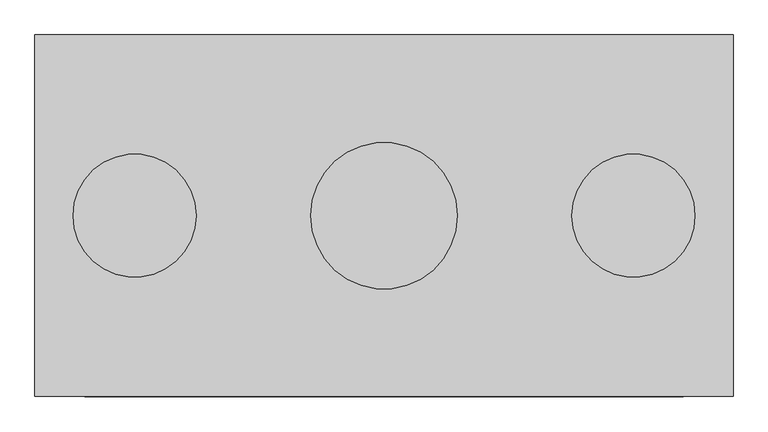
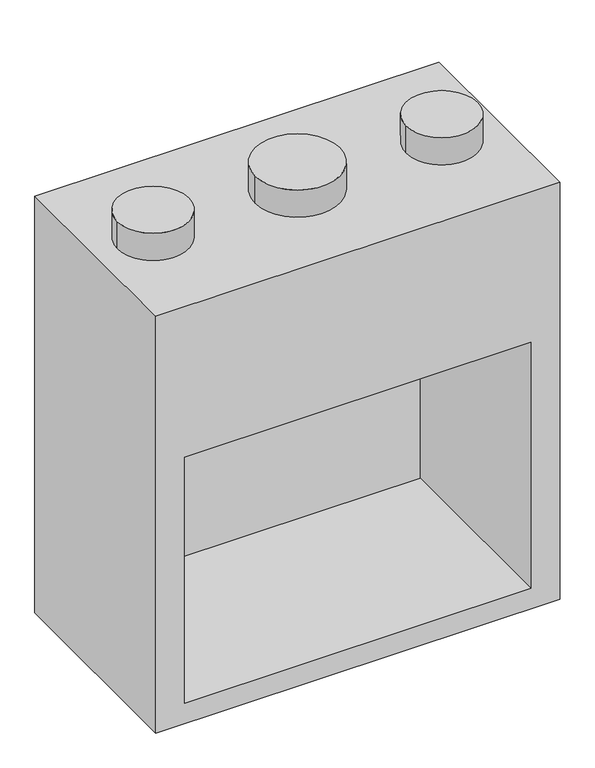
"""IFC4 building model written with IfcOpenShell, lengths in millimetres: proxy geometry."""

import ifcopenshell
import ifcopenshell.guid

model = None  # the IFC model being written
_history = None  # IfcOwnerHistory: only IFC2X3 demands one
_inside = {}  # id of a spatial element -> (the spatial element, [elements in it])
_under = {}  # id of a project, library or spatial element -> (it, [spatial elements below it])
_declared = {}  # id of a project -> (the project, [libraries it declares])
_typed = {}  # id of a type object -> (the type object, [elements of that type])
_made_of = {}  # id of a material, layer set ... -> (it, [elements and type objects made of it])


def new_model(schema):
    """Start an empty IFC model of exactly this schema.

    Asked for "IFC4X3", IfcOpenShell would pick the latest addendum, in which some entities
    have other attributes; the version numbers below select the first issue.
    IFC2X3 requires an IfcOwnerHistory on every rooted entity: one is made here for all.
    """
    global model, _history
    if schema == "IFC4X3":
        model = ifcopenshell.file(schema_version=(4, 3, 0, 0))
    else:
        model = ifcopenshell.file(schema=schema)
    _inside.clear()
    _under.clear()
    _declared.clear()
    _typed.clear()
    _made_of.clear()
    _history = None
    if model.schema == "IFC2X3":
        org = make("IfcOrganization", Name="unknown")
        user = make(
            "IfcPersonAndOrganization",
            ThePerson=make("IfcPerson", FamilyName="unknown"),
            TheOrganization=org,
        )
        app = make(
            "IfcApplication",
            ApplicationDeveloper=org,
            Version="unknown",
            ApplicationFullName="unknown",
            ApplicationIdentifier="unknown",
        )
        _history = make(
            "IfcOwnerHistory",
            OwningUser=user,
            OwningApplication=app,
            ChangeAction="ADDED",
            CreationDate=0,
        )
    return model


def make(cls, **values):
    """One entity of the class cls with the attributes given. An attribute that is None is left unset."""
    return model.create_entity(
        cls, **{name: value for name, value in values.items() if value is not None}
    )


def rooted(cls, **values):
    """An entity with a GlobalId (a new one), such as an element, a storey or a relation."""
    return make(cls, GlobalId=ifcopenshell.guid.new(), OwnerHistory=_history, **values)


def si_unit(unit_type, name, prefix=None):
    """IfcSIUnit, for example si_unit("LENGTHUNIT", "METRE", prefix="MILLI")."""
    return make("IfcSIUnit", UnitType=unit_type, Prefix=prefix, Name=name)


def assignment(units):
    """IfcUnitAssignment: the units of a project."""
    return None if units is None else make("IfcUnitAssignment", Units=units)


def point(xyz):
    """IfcCartesianPoint."""
    return None if xyz is None else make("IfcCartesianPoint", Coordinates=xyz)


def direction(xyz):
    """IfcDirection."""
    return None if xyz is None else make("IfcDirection", DirectionRatios=xyz)


def frame(location, z_axis=None, x_axis=None):
    """IfcAxis2Placement3D, a coordinate frame: its origin and axes. An axis left out is left unset."""
    return make(
        "IfcAxis2Placement3D",
        Location=point(location),
        Axis=direction(z_axis),
        RefDirection=direction(x_axis),
    )


def frame_2d(location, x_axis=None):
    """IfcAxis2Placement2D, a coordinate frame in the plane: its origin and x axis."""
    return make(
        "IfcAxis2Placement2D", Location=point(location), RefDirection=direction(x_axis)
    )


def origin():
    """The frame at (0, 0, 0) with its axes left unset."""
    return frame((0.0, 0.0, 0.0))


def origin_2d():
    """The frame at (0, 0) in the plane with its x axis left unset."""
    return frame_2d((0.0, 0.0))


def place(relative_to, where):
    """IfcLocalPlacement: puts the frame where relative to a parent placement (None: the world)."""
    return make(
        "IfcLocalPlacement", PlacementRelTo=relative_to, RelativePlacement=where
    )


def context(
    kind, dimensions, precision=None, world=None, true_north=None, identifier=None
):
    """IfcGeometricRepresentationContext, for example the 3D "Model" context."""
    return make(
        "IfcGeometricRepresentationContext",
        ContextIdentifier=identifier,
        ContextType=kind,
        CoordinateSpaceDimension=dimensions,
        Precision=precision,
        WorldCoordinateSystem=world,
        TrueNorth=true_north,
    )


def project(units=None, contexts=None):
    """IfcProject with its units and contexts."""
    return rooted(
        "IfcProject",
        Name="project",
        RepresentationContexts=contexts,
        UnitsInContext=assignment(units),
    )


def spatial(cls, under=None, at=None, **own):
    """A site, building, storey or space (cls), placed at a placement, below another one or the project."""
    s = rooted(cls, ObjectPlacement=at, **own)
    if under is not None:
        _under.setdefault(under.id(), (under, []))[1].append(s)
    return s


def circle_curve(where, radius):
    """IfcCircle in the frame where."""
    return make("IfcCircle", Position=where, Radius=radius)


def trimmed(basis, trim1, trim2, sense, master):
    """IfcTrimmedCurve: the piece of a basis curve between two trims."""
    return make(
        "IfcTrimmedCurve",
        BasisCurve=basis,
        Trim1=trim1,
        Trim2=trim2,
        SenseAgreement=sense,
        MasterRepresentation=master,
    )


def segment(curve, same_sense, transition):
    """IfcCompositeCurveSegment."""
    return make(
        "IfcCompositeCurveSegment",
        Transition=transition,
        SameSense=same_sense,
        ParentCurve=curve,
    )


def composite_curve(segments, self_intersect=None):
    """IfcCompositeCurve: segments joined end to end."""
    return make("IfcCompositeCurve", Segments=segments, SelfIntersect=self_intersect)


def outline(outer, holes=None, kind="AREA"):
    """IfcArbitraryClosedProfileDef: a profile drawn as a closed curve; with holes, ...WithVoids."""
    if holes is None:
        return make("IfcArbitraryClosedProfileDef", ProfileType=kind, OuterCurve=outer)
    return make(
        "IfcArbitraryProfileDefWithVoids",
        ProfileType=kind,
        OuterCurve=outer,
        InnerCurves=holes,
    )


def extrude(swept, where, along, depth):
    """IfcExtrudedAreaSolid: the profile swept, set in the frame where, extruded along a direction by depth."""
    return make(
        "IfcExtrudedAreaSolid",
        SweptArea=swept,
        Position=where,
        ExtrudedDirection=direction(along),
        Depth=depth,
    )


def faces_of(points, faces, orient=None, outer=None):
    """IfcFace entities. A face is a list of loops; a loop is a list of indices into points, from 0.

    orient and outer hold one flag for each loop. By default every Orientation is true, the
    first loop of a face is its IfcFaceOuterBound and the others are IfcFaceBound.
    """
    made = []
    for i, loops in enumerate(faces):
        bounds = []
        for j, loop in enumerate(loops):
            is_outer = j == 0 if outer is None else outer[i][j]
            bounds.append(
                make(
                    "IfcFaceOuterBound" if is_outer else "IfcFaceBound",
                    Bound=make("IfcPolyLoop", Polygon=[points[k] for k in loop]),
                    Orientation=True if orient is None else orient[i][j],
                )
            )
        made.append(make("IfcFace", Bounds=bounds))
    return made


def faceted_brep(points, faces, orient=None, outer=None, voids=None):
    """IfcFacetedBrep: a solid bounded by flat faces; with voids (closed shells), ...WithVoids."""
    shared = [point(p) for p in points]
    hull = make("IfcClosedShell", CfsFaces=faces_of(shared, faces, orient, outer))
    if voids is None:
        return make("IfcFacetedBrep", Outer=hull)
    return make(
        "IfcFacetedBrepWithVoids",
        Outer=hull,
        Voids=[
            make(cls, CfsFaces=faces_of(shared, fs, o, b)) for cls, fs, o, b in voids
        ],
    )


def shape(context_of_items, identifier, shape_type, items):
    """IfcShapeRepresentation: the items that make up one representation, for example the "Body"."""
    return make(
        "IfcShapeRepresentation",
        ContextOfItems=context_of_items,
        RepresentationIdentifier=identifier,
        RepresentationType=shape_type,
        Items=items,
    )


def source(mapping_origin, context_of_items, identifier, shape_type, items):
    """IfcRepresentationMap: a shape defined once, which mapped items show again and again."""
    return make(
        "IfcRepresentationMap",
        MappingOrigin=mapping_origin,
        MappedRepresentation=shape(context_of_items, identifier, shape_type, items),
    )


def transform(
    local_origin,
    x_axis=None,
    y_axis=None,
    z_axis=None,
    scale=None,
    scale2=None,
    scale3=None,
    uniform=True,
):
    """IfcCartesianTransformationOperator3D, or its non-uniform kind. x_axis, y_axis, z_axis: its Axis1, 2, 3."""
    if uniform:
        return make(
            "IfcCartesianTransformationOperator3D",
            Axis1=direction(x_axis),
            Axis2=direction(y_axis),
            LocalOrigin=point(local_origin),
            Scale=scale,
            Axis3=direction(z_axis),
        )
    return make(
        "IfcCartesianTransformationOperator3DnonUniform",
        Axis1=direction(x_axis),
        Axis2=direction(y_axis),
        LocalOrigin=point(local_origin),
        Scale=scale,
        Axis3=direction(z_axis),
        Scale2=scale2,
        Scale3=scale3,
    )


def mapped(mapping_source, mapping_target):
    """IfcMappedItem: shows the shape of a source again, moved by a transform."""
    return make(
        "IfcMappedItem", MappingSource=mapping_source, MappingTarget=mapping_target
    )


def made_of(thing, what):
    """Note that an element or type object is made of a material, layer set ...; save() writes the relation."""
    if what is not None:
        _made_of.setdefault(what.id(), (what, []))[1].append(thing)
    return thing


def element(
    cls,
    number,
    at=None,
    inside=None,
    cuts=None,
    type_object=None,
    material=None,
    context=None,
    identifier="Body",
    shape_type=None,
    held_by="IfcProductDefinitionShape",
    body=None,
    shapes=None,
    **own,
):
    """One element of the class cls, such as IfcWall. Its Tag is "e" and its number.

    at: its placement. inside: the storey or other place that contains it. cuts: it is an
    opening in that element (IfcRelVoidsElement). A single representation is given by context,
    identifier, shape_type and body (its items); several are given by shapes. held_by: the class
    of the entity that holds the representations. save() writes the other relations.
    """
    e = rooted(cls, Tag="e%d" % number, ObjectPlacement=at, **own)
    if body is not None:
        shapes = [shape(context, identifier, shape_type, body)]
    if shapes is not None:
        e.Representation = make(held_by, Representations=shapes)
    if inside is not None:
        _inside.setdefault(inside.id(), (inside, []))[1].append(e)
    if cuts is not None:
        rooted(
            "IfcRelVoidsElement", RelatingBuildingElement=cuts, RelatedOpeningElement=e
        )
    if type_object is not None:
        _typed.setdefault(type_object.id(), (type_object, []))[1].append(e)
    return made_of(e, material)


def aggregate(whole, parts):
    """IfcRelAggregates: a whole, such as a stair, and the parts it consists of."""
    return rooted("IfcRelAggregates", RelatingObject=whole, RelatedObjects=parts)


def save(model, path):
    """Write the relations noted so far, then the file.

    IfcRelAggregates (storeys below a building ...), IfcRelContainedInSpatialStructure (elements
    in a storey), IfcRelDefinesByType, IfcRelAssociatesMaterial and IfcRelDeclares: one each for
    every whole, place, type object, material and project.
    """
    for whole, parts in _under.values():
        aggregate(whole, parts)
    for where, things in _inside.values():
        rooted(
            "IfcRelContainedInSpatialStructure",
            RelatedElements=things,
            RelatingStructure=where,
        )
    for kind, things in _typed.values():
        rooted("IfcRelDefinesByType", RelatedObjects=things, RelatingType=kind)
    for what, things in _made_of.values():
        rooted("IfcRelAssociatesMaterial", RelatedObjects=things, RelatingMaterial=what)
    for by, libraries in _declared.values():
        rooted("IfcRelDeclares", RelatingContext=by, RelatedDefinitions=libraries)
    model.write(path)


def generic_models_60eb7863(model_context):
    return source(origin(), model_context, "Body", "SolidModel", [
        faceted_brep([(711.2, 368.3, 1549.4), (-711.2, 368.3, 1549.4), (-711.2, -368.3, 1549.4), (711.2, -368.3, 1549.4), (711.2, 368.3, 0.0), (711.2, -368.3, 0.0), (-711.2, -368.3, 0.0), (-711.2, 368.3, 0.0), (-609.6, -368.3, 990.6), (609.6, -368.3, 990.6), (609.6, -368.3, 76.2), (-609.6, -368.3, 76.2), (609.6, 307.149358, 990.6), (-609.6, 307.149358, 990.6), (-609.6, 307.149358, 76.2), (609.6, 307.149358, 76.2)], [[[0, 1, 2, 3]], [[4, 5, 6, 7]], [[1, 0, 4, 7]], [[2, 1, 7, 6]], [[3, 2, 6, 5], [8, 9, 10, 11]], [[0, 3, 5, 4]], [[12, 13, 14, 15]], [[13, 12, 9, 8]], [[14, 13, 8, 11]], [[15, 14, 11, 10]], [[12, 15, 10, 9]]]),
        extrude(outline(composite_curve([segment(trimmed(circle_curve(origin_2d(), 149.225), [point((-149.225, 0.0))], [point((149.225, 0.0))], False, "CARTESIAN"), True, "CONTINUOUS"), segment(trimmed(circle_curve(origin_2d(), 149.225), [point((149.225, 0.0))], [point((-149.225, 0.0))], False, "CARTESIAN"), True, "CONTINUOUS")], self_intersect=False)), frame((0.0, 0.0, 1549.4), z_axis=(0.0, 0.0, 1.0), x_axis=(1.0, 0.0, 0.0)), (0.0, 0.0, 1.0), 101.6),
        extrude(outline(composite_curve([segment(trimmed(circle_curve(frame_2d((-508.0, 0.0)), 125.4125), [point((-633.4125, 0.0))], [point((-382.5875, 0.0))], False, "CARTESIAN"), True, "CONTINUOUS"), segment(trimmed(circle_curve(frame_2d((-508.0, 0.0)), 125.4125), [point((-382.5875, 0.0))], [point((-633.4125, 0.0))], False, "CARTESIAN"), True, "CONTINUOUS")], self_intersect=False)), frame((0.0, 0.0, 1549.4), z_axis=(0.0, 0.0, 1.0), x_axis=(1.0, 0.0, 0.0)), (0.0, 0.0, 1.0), 101.6),
        extrude(outline(composite_curve([segment(trimmed(circle_curve(frame_2d((508.0, 0.0)), 125.4125), [point((382.5875, 0.0))], [point((633.4125, 0.0))], False, "CARTESIAN"), True, "CONTINUOUS"), segment(trimmed(circle_curve(frame_2d((508.0, 0.0)), 125.4125), [point((633.4125, 0.0))], [point((382.5875, 0.0))], False, "CARTESIAN"), True, "CONTINUOUS")], self_intersect=False)), frame((0.0, 0.0, 1549.4), z_axis=(0.0, 0.0, 1.0), x_axis=(1.0, 0.0, 0.0)), (0.0, 0.0, 1.0), 101.6),
    ])


if __name__ == "__main__":
    model = new_model("IFC4")
    model_context = context("Model", 3, world=origin())
    ifc_project = project(units=[si_unit("LENGTHUNIT", "METRE", prefix="MILLI")], contexts=[model_context])
    site = spatial("IfcSite", under=ifc_project)
    building = spatial("IfcBuilding", under=site)
    placement = place(None, origin())
    generic_models_shape = generic_models_60eb7863(model_context)
    element("IfcBuildingElementProxy", 1, Name="Generic Models", at=placement, inside=building, context=model_context, shape_type="MappedRepresentation", body=[
        mapped(generic_models_shape, transform((0.0, 0.0, 0.0), x_axis=(1.0, 0.0, 0.0), y_axis=(0.0, 1.0, 0.0), z_axis=(0.0, 0.0, 1.0))),
    ])
    save(model, "model.ifc")
